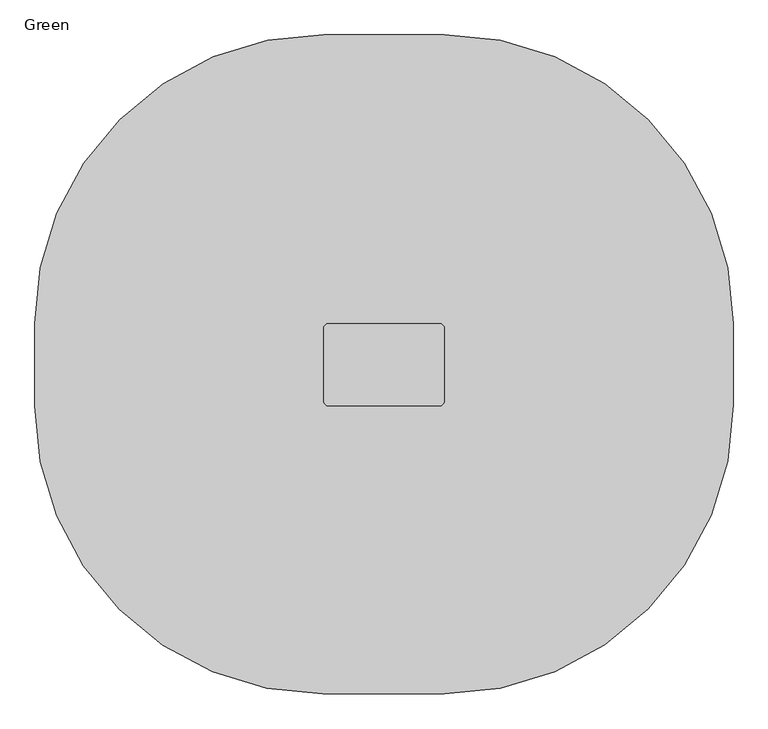
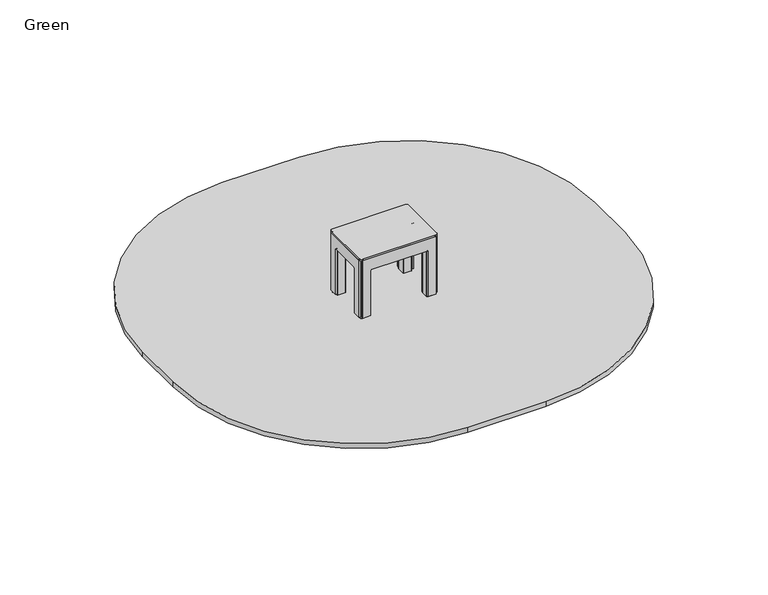
"""IFC4 building model written with IfcOpenShell, lengths in millimetres: furniture geometry, Green."""

from ifc_helpers import new_model, si_unit, point, frame, frame_2d, origin, place, context, project, spatial, polyline, circle_curve, trimmed, segment, composite_curve, outline, extrude, source, transform, mapped, element, save
from ifc_brep_helpers import plane_surface, cylinder_surface, extruded_surface, advanced_brep


def green_fbcaa9e9(model_context):
    return source(origin(), model_context, "Body", "SolidModel", [
        extrude(outline(composite_curve([segment(trimmed(circle_curve(frame_2d((-235.0, -30.0)), 5.0), [point((-230.0, -30.0))], [point((-235.0, -35.0))], False, "CARTESIAN"), True, "CONTINUOUS"), segment(polyline([(-235.0, -35.0), (-295.0, -35.0)]), True, "CONTINUOUS"), segment(trimmed(circle_curve(frame_2d((-295.0, -30.0)), 5.0), [point((-295.0, -35.0))], [point((-300.0, -30.0))], False, "CARTESIAN"), True, "CONTINUOUS"), segment(polyline([(-300.0, -30.0), (-300.0, 30.0)]), True, "CONTINUOUS"), segment(trimmed(circle_curve(frame_2d((-295.0, 30.0)), 5.0), [point((-300.0, 30.0))], [point((-295.0, 35.0))], False, "CARTESIAN"), True, "CONTINUOUS"), segment(polyline([(-295.0, 35.0), (-235.0, 35.0)]), True, "CONTINUOUS"), segment(trimmed(circle_curve(frame_2d((-235.0, 30.0)), 5.0), [point((-235.0, 35.0))], [point((-230.0, 30.0))], False, "CARTESIAN"), True, "CONTINUOUS"), segment(polyline([(-230.0, 30.0), (-230.0, -30.0)]), True, "CONTINUOUS")], self_intersect=False)), frame((0.0, 0.0, -600.0), z_axis=(0.0, 0.0, 1.0), x_axis=(1.0, 0.0, 0.0)), (0.0, 0.0, 1.0), 500.0),
        advanced_brep(
        [(-175.0, 150.0, -600.0), (-115.0, 90.0, -600.0), (-115.0, -90.0, -600.0), (-175.0, -150.0, -600.0), (-355.0, -150.0, -600.0), (-415.0, -90.0, -600.0), (-415.0, 90.0, -600.0), (-355.0, 150.0, -600.0), (-355.0, 150.0, -460.0), (-175.0, 150.0, -460.0), (-415.0, -90.0, -460.0), (-415.0, 90.0, -460.0), (-175.0, -150.0, -460.0), (-355.0, -150.0, -460.0), (-115.0, 90.0, -460.0), (-115.0, -90.0, -460.0), (-277.2959549, 72.6989403, -250.0), (-337.2959549, 12.6989403, -250.0), (-337.2959549, -12.6989403, -250.0), (-277.2959549, -72.6989403, -250.0), (-252.7040451, -72.6989403, -250.0), (-192.7040451, -12.6989403, -250.0), (-192.7040451, 12.6989403, -250.0), (-252.7040451, 72.6989403, -250.0)],
        [
            (0, 1, circle_curve(frame((-175.0, 90.0, -600.0), z_axis=(0.0, 0.0, -1.0), x_axis=(1.0, 0.0, 0.0)), 60.0)),
            (1, 2),
            (2, 3, circle_curve(frame((-175.0, -90.0, -600.0), z_axis=(0.0, 0.0, -1.0), x_axis=(1.0, 0.0, 0.0)), 60.0)),
            (3, 4),
            (4, 5, circle_curve(frame((-355.0, -90.0, -600.0), z_axis=(0.0, 0.0, -1.0), x_axis=(1.0, 0.0, 0.0)), 60.0)),
            (5, 6),
            (6, 7, circle_curve(frame((-355.0, 90.0, -600.0), z_axis=(0.0, 0.0, -1.0), x_axis=(1.0, 0.0, 0.0)), 60.0)),
            (7, 0),
            (7, 8),
            (8, 9),
            (9, 0),
            (5, 10),
            (10, 11),
            (11, 6),
            (3, 12),
            (12, 13),
            (13, 4),
            (1, 14),
            (14, 15),
            (15, 2),
            (16, 17, circle_curve(frame((-277.2959549, 12.6989403, -250.0), z_axis=(0.0, 0.0, 1.0), x_axis=(1.0, 0.0, 0.0)), 60.0)),
            (17, 18),
            (18, 19, circle_curve(frame((-277.2959549, -12.6989403, -250.0), z_axis=(0.0, 0.0, 1.0), x_axis=(1.0, 0.0, 0.0)), 60.0)),
            (19, 20),
            (20, 21, circle_curve(frame((-252.7040451, -12.6989403, -250.0), z_axis=(0.0, 0.0, 1.0), x_axis=(1.0, 0.0, 0.0)), 60.0)),
            (21, 22),
            (22, 23, circle_curve(frame((-252.7040451, 12.6989403, -250.0), z_axis=(0.0, 0.0, 1.0), x_axis=(1.0, 0.0, 0.0)), 60.0)),
            (23, 16),
            (17, 11),
            (10, 18),
            (19, 13),
            (12, 20),
            (21, 15),
            (14, 22),
            (23, 9),
            (8, 16),
            (11, 8, circle_curve(frame((-355.0, 90.0, -460.0), z_axis=(0.0, 0.0, -1.0), x_axis=(1.0, 0.0, 0.0)), 60.0)),
            (13, 10, circle_curve(frame((-355.0, -90.0, -460.0), z_axis=(0.0, 0.0, -1.0), x_axis=(1.0, 0.0, 0.0)), 60.0)),
            (15, 12, circle_curve(frame((-175.0, -90.0, -460.0), z_axis=(0.0, 0.0, -1.0), x_axis=(1.0, 0.0, 0.0)), 60.0)),
            (9, 14, circle_curve(frame((-175.0, 90.0, -460.0), z_axis=(0.0, 0.0, -1.0), x_axis=(1.0, 0.0, 0.0)), 60.0)),
        ],
        [
            plane_surface(frame((-441.6329682, 150.0, -600.0), z_axis=(0.0, 0.0, -1.0), x_axis=(1.0, 0.0, 0.0))),
            plane_surface(frame((-175.0, 150.0, -460.0), z_axis=(0.0, 1.0, 0.0), x_axis=(0.0, 0.0, -1.0))),
            plane_surface(frame((-415.0, 90.0, -460.0), z_axis=(-1.0, 0.0, 0.0), x_axis=(0.0, 0.0, -1.0))),
            plane_surface(frame((-355.0, -150.0, -460.0), z_axis=(0.0, -1.0, 0.0), x_axis=(0.0, 0.0, -1.0))),
            plane_surface(frame((-115.0, -90.0, -460.0), z_axis=(1.0, 0.0, 0.0), x_axis=(0.0, 0.0, -1.0))),
            plane_surface(frame((-265.0, 0.0, -250.0), z_axis=(0.0, 0.0, 1.0), x_axis=(-1.0, 0.0, 0.0))),
            plane_surface(frame((-415.0, 0.0, -460.0), z_axis=(-0.9378559633153523, 0.0, 0.3470247715564883), x_axis=(0.0, -1.0, 0.0))),
            plane_surface(frame((-265.0, -150.0, -460.0), z_axis=(0.0, -0.9384407279810882, 0.3454402988452927), x_axis=(1.0, 0.0, 0.0))),
            plane_surface(frame((-115.0, 0.0, -460.0), z_axis=(0.9378559633153524, 0.0, 0.34702477155648764), x_axis=(0.0, 1.0, 0.0))),
            plane_surface(frame((-265.0, 150.0, -460.0), z_axis=(0.0, 0.9384407279810884, 0.3454402988452924), x_axis=(-1.0, 0.0, 0.0))),
            cylinder_surface(frame((-355.0, 90.0, -600.0), z_axis=(0.0, 0.0, 1.0), x_axis=(1.0, 0.0, 0.0)), 60.0),
            cylinder_surface(frame((-355.0, -90.0, -600.0), z_axis=(0.0, 0.0, 1.0), x_axis=(1.0, 0.0, 0.0)), 60.0),
            cylinder_surface(frame((-175.0, -90.0, -600.0), z_axis=(0.0, 0.0, 1.0), x_axis=(1.0, 0.0, 0.0)), 60.0),
            cylinder_surface(frame((-175.0, 90.0, -600.0), z_axis=(0.0, 0.0, 1.0), x_axis=(1.0, 0.0, 0.0)), 60.0),
            extruded_surface(trimmed(circle_curve(frame((-355.0, 90.0, -460.0), z_axis=(0.0, 0.0, 1.0), x_axis=(1.0, 0.0, 0.0)), 60.0), [point((-355.0, 150.0, -460.0))], [point((-415.0, 90.0, -460.0))], True, "CARTESIAN"), (77.70404509999997, -77.3010597, 210.0), 236.8826132404947),
            extruded_surface(trimmed(circle_curve(frame((-175.0, 90.0, -460.0), z_axis=(0.0, 0.0, 1.0), x_axis=(1.0, 0.0, 0.0)), 60.0), [point((-115.0, 90.0, -460.0))], [point((-175.0, 150.0, -460.0))], True, "CARTESIAN"), (-77.7040451, -77.3010597, 210.0), 236.8826132404947),
            extruded_surface(trimmed(circle_curve(frame((-355.0, -90.0, -460.0), z_axis=(0.0, 0.0, 1.0), x_axis=(1.0, 0.0, 0.0)), 60.0), [point((-415.0, -90.0, -460.0))], [point((-355.0, -150.0, -460.0))], True, "CARTESIAN"), (77.70404509999997, 77.3010597, 210.0), 236.8826132404947),
            extruded_surface(trimmed(circle_curve(frame((-175.0, -90.0, -460.0), z_axis=(0.0, 0.0, 1.0), x_axis=(1.0, 0.0, 0.0)), 60.0), [point((-175.0, -150.0, -460.0))], [point((-115.0, -90.0, -460.0))], True, "CARTESIAN"), (-77.7040451, 77.3010597, 210.0), 236.8826132404947),
        ],
        [
            (0, [[1, 2, 3, 4, 5, 6, 7, 8]]),
            (1, [[-8, 9, 10, 11]]),
            (2, [[-6, 12, 13, 14]]),
            (3, [[-4, 15, 16, 17]]),
            (4, [[-2, 18, 19, 20]]),
            (5, [[21, 22, 23, 24, 25, 26, 27, 28]]),
            (6, [[-22, 29, -13, 30]]),
            (7, [[-24, 31, -16, 32]]),
            (8, [[-26, 33, -19, 34]]),
            (9, [[-28, 35, -10, 36]]),
            (10, [[-7, -14, 37, -9]]),
            (11, [[-5, -17, 38, -12]]),
            (12, [[-3, -20, 39, -15]]),
            (13, [[-1, -11, 40, -18]]),
            (14, [[-21, -36, -37, -29]]),
            (15, [[-27, -34, -40, -35]]),
            (16, [[-23, -30, -38, -31]]),
            (17, [[-25, -32, -39, -33]]),
        ],
    ),
        extrude(outline(composite_curve([segment(trimmed(circle_curve(frame_2d((295.0, -30.0)), 5.0), [point((300.0, -30.0))], [point((295.0, -35.0))], False, "CARTESIAN"), True, "CONTINUOUS"), segment(polyline([(295.0, -35.0), (235.0, -35.0)]), True, "CONTINUOUS"), segment(trimmed(circle_curve(frame_2d((235.0, -30.0)), 5.0), [point((235.0, -35.0))], [point((230.0, -30.0))], False, "CARTESIAN"), True, "CONTINUOUS"), segment(polyline([(230.0, -30.0), (230.0, 30.0)]), True, "CONTINUOUS"), segment(trimmed(circle_curve(frame_2d((235.0, 30.0)), 5.0), [point((230.0, 30.0))], [point((235.0, 35.0))], False, "CARTESIAN"), True, "CONTINUOUS"), segment(polyline([(235.0, 35.0), (295.0, 35.0)]), True, "CONTINUOUS"), segment(trimmed(circle_curve(frame_2d((295.0, 30.0)), 5.0), [point((295.0, 35.0))], [point((300.0, 30.0))], False, "CARTESIAN"), True, "CONTINUOUS"), segment(polyline([(300.0, 30.0), (300.0, -30.0)]), True, "CONTINUOUS")], self_intersect=False)), frame((0.0, 0.0, -600.0), z_axis=(0.0, 0.0, 1.0), x_axis=(1.0, 0.0, 0.0)), (0.0, 0.0, 1.0), 500.0),
        advanced_brep(
        [(355.0, 150.0, -600.0), (415.0, 90.0, -600.0), (415.0, -90.0, -600.0), (355.0, -150.0, -600.0), (175.0, -150.0, -600.0), (115.0, -90.0, -600.0), (115.0, 90.0, -600.0), (175.0, 150.0, -600.0), (175.0, 150.0, -460.0), (355.0, 150.0, -460.0), (115.0, -90.0, -460.0), (115.0, 90.0, -460.0), (355.0, -150.0, -460.0), (175.0, -150.0, -460.0), (415.0, 90.0, -460.0), (415.0, -90.0, -460.0), (252.7040451, 72.6989403, -250.0), (192.7040451, 12.6989403, -250.0), (192.7040451, -12.6989403, -250.0), (252.7040451, -72.6989403, -250.0), (277.2959549, -72.6989403, -250.0), (337.2959549, -12.6989403, -250.0), (337.2959549, 12.6989403, -250.0), (277.2959549, 72.6989403, -250.0)],
        [
            (0, 1, circle_curve(frame((355.0, 90.0, -600.0), z_axis=(0.0, 0.0, -1.0), x_axis=(1.0, 0.0, 0.0)), 60.0)),
            (1, 2),
            (2, 3, circle_curve(frame((355.0, -90.0, -600.0), z_axis=(0.0, 0.0, -1.0), x_axis=(1.0, 0.0, 0.0)), 60.0)),
            (3, 4),
            (4, 5, circle_curve(frame((175.0, -90.0, -600.0), z_axis=(0.0, 0.0, -1.0), x_axis=(1.0, 0.0, 0.0)), 60.0)),
            (5, 6),
            (6, 7, circle_curve(frame((175.0, 90.0, -600.0), z_axis=(0.0, 0.0, -1.0), x_axis=(1.0, 0.0, 0.0)), 60.0)),
            (7, 0),
            (7, 8),
            (8, 9),
            (9, 0),
            (5, 10),
            (10, 11),
            (11, 6),
            (3, 12),
            (12, 13),
            (13, 4),
            (1, 14),
            (14, 15),
            (15, 2),
            (16, 17, circle_curve(frame((252.7040451, 12.6989403, -250.0), z_axis=(0.0, 0.0, 1.0), x_axis=(1.0, 0.0, 0.0)), 60.0)),
            (17, 18),
            (18, 19, circle_curve(frame((252.7040451, -12.6989403, -250.0), z_axis=(0.0, 0.0, 1.0), x_axis=(1.0, 0.0, 0.0)), 60.0)),
            (19, 20),
            (20, 21, circle_curve(frame((277.2959549, -12.6989403, -250.0), z_axis=(0.0, 0.0, 1.0), x_axis=(1.0, 0.0, 0.0)), 60.0)),
            (21, 22),
            (22, 23, circle_curve(frame((277.2959549, 12.6989403, -250.0), z_axis=(0.0, 0.0, 1.0), x_axis=(1.0, 0.0, 0.0)), 60.0)),
            (23, 16),
            (17, 11),
            (10, 18),
            (19, 13),
            (12, 20),
            (21, 15),
            (14, 22),
            (23, 9),
            (8, 16),
            (11, 8, circle_curve(frame((175.0, 90.0, -460.0), z_axis=(0.0, 0.0, -1.0), x_axis=(1.0, 0.0, 0.0)), 60.0)),
            (13, 10, circle_curve(frame((175.0, -90.0, -460.0), z_axis=(0.0, 0.0, -1.0), x_axis=(1.0, 0.0, 0.0)), 60.0)),
            (15, 12, circle_curve(frame((355.0, -90.0, -460.0), z_axis=(0.0, 0.0, -1.0), x_axis=(1.0, 0.0, 0.0)), 60.0)),
            (9, 14, circle_curve(frame((355.0, 90.0, -460.0), z_axis=(0.0, 0.0, -1.0), x_axis=(1.0, 0.0, 0.0)), 60.0)),
        ],
        [
            plane_surface(frame((88.3670318, 150.0, -600.0), z_axis=(0.0, 0.0, -1.0), x_axis=(1.0, 0.0, 0.0))),
            plane_surface(frame((355.0, 150.0, -460.0), z_axis=(0.0, 1.0, 0.0), x_axis=(0.0, 0.0, -1.0))),
            plane_surface(frame((115.0, 90.0, -460.0), z_axis=(-1.0, 0.0, 0.0), x_axis=(0.0, 0.0, -1.0))),
            plane_surface(frame((175.0, -150.0, -460.0), z_axis=(0.0, -1.0, 0.0), x_axis=(0.0, 0.0, -1.0))),
            plane_surface(frame((415.0, -90.0, -460.0), z_axis=(1.0, 0.0, 0.0), x_axis=(0.0, 0.0, -1.0))),
            plane_surface(frame((265.0, 0.0, -250.0), z_axis=(0.0, 0.0, 1.0), x_axis=(-1.0, 0.0, 0.0))),
            plane_surface(frame((115.0, 0.0, -460.0), z_axis=(-0.9378559633153523, 0.0, 0.3470247715564883), x_axis=(0.0, -1.0, 0.0))),
            plane_surface(frame((265.0, -150.0, -460.0), z_axis=(0.0, -0.9384407279810882, 0.3454402988452927), x_axis=(1.0, 0.0, 0.0))),
            plane_surface(frame((415.0, 0.0, -460.0), z_axis=(0.9378559633153524, 0.0, 0.34702477155648764), x_axis=(0.0, 1.0, 0.0))),
            plane_surface(frame((265.0, 150.0, -460.0), z_axis=(0.0, 0.9384407279810884, 0.3454402988452924), x_axis=(-1.0, 0.0, 0.0))),
            cylinder_surface(frame((175.0, 90.0, -600.0), z_axis=(0.0, 0.0, 1.0), x_axis=(1.0, 0.0, 0.0)), 60.0),
            cylinder_surface(frame((175.0, -90.0, -600.0), z_axis=(0.0, 0.0, 1.0), x_axis=(1.0, 0.0, 0.0)), 60.0),
            cylinder_surface(frame((355.0, -90.0, -600.0), z_axis=(0.0, 0.0, 1.0), x_axis=(1.0, 0.0, 0.0)), 60.0),
            cylinder_surface(frame((355.0, 90.0, -600.0), z_axis=(0.0, 0.0, 1.0), x_axis=(1.0, 0.0, 0.0)), 60.0),
            extruded_surface(trimmed(circle_curve(frame((175.0, 90.0, -460.0), z_axis=(0.0, 0.0, 1.0), x_axis=(1.0, 0.0, 0.0)), 60.0), [point((175.0, 150.0, -460.0))], [point((115.0, 90.0, -460.0))], True, "CARTESIAN"), (77.7040451, -77.3010597, 210.0), 236.8826132404947),
            extruded_surface(trimmed(circle_curve(frame((355.0, 90.0, -460.0), z_axis=(0.0, 0.0, 1.0), x_axis=(1.0, 0.0, 0.0)), 60.0), [point((415.0, 90.0, -460.0))], [point((355.0, 150.0, -460.0))], True, "CARTESIAN"), (-77.70404509999997, -77.3010597, 210.0), 236.8826132404947),
            extruded_surface(trimmed(circle_curve(frame((175.0, -90.0, -460.0), z_axis=(0.0, 0.0, 1.0), x_axis=(1.0, 0.0, 0.0)), 60.0), [point((115.0, -90.0, -460.0))], [point((175.0, -150.0, -460.0))], True, "CARTESIAN"), (77.7040451, 77.3010597, 210.0), 236.8826132404947),
            extruded_surface(trimmed(circle_curve(frame((355.0, -90.0, -460.0), z_axis=(0.0, 0.0, 1.0), x_axis=(1.0, 0.0, 0.0)), 60.0), [point((355.0, -150.0, -460.0))], [point((415.0, -90.0, -460.0))], True, "CARTESIAN"), (-77.70404509999997, 77.3010597, 210.0), 236.8826132404947),
        ],
        [
            (0, [[1, 2, 3, 4, 5, 6, 7, 8]]),
            (1, [[-8, 9, 10, 11]]),
            (2, [[-6, 12, 13, 14]]),
            (3, [[-4, 15, 16, 17]]),
            (4, [[-2, 18, 19, 20]]),
            (5, [[21, 22, 23, 24, 25, 26, 27, 28]]),
            (6, [[-22, 29, -13, 30]]),
            (7, [[-24, 31, -16, 32]]),
            (8, [[-26, 33, -19, 34]]),
            (9, [[-28, 35, -10, 36]]),
            (10, [[-7, -14, 37, -9]]),
            (11, [[-5, -17, 38, -12]]),
            (12, [[-3, -20, 39, -15]]),
            (13, [[-1, -11, 40, -18]]),
            (14, [[-21, -36, -37, -29]]),
            (15, [[-27, -34, -40, -35]]),
            (16, [[-23, -30, -38, -31]]),
            (17, [[-25, -32, -39, -33]]),
        ],
    ),
        extrude(outline(composite_curve([segment(trimmed(circle_curve(frame_2d((295.0, 300.0)), 5.0), [point((300.0, 300.0))], [point((295.0, 295.0))], False, "CARTESIAN"), True, "CONTINUOUS"), segment(polyline([(295.0, 295.0), (235.0, 295.0)]), True, "CONTINUOUS"), segment(trimmed(circle_curve(frame_2d((235.0, 300.0)), 5.0), [point((235.0, 295.0))], [point((230.0, 300.0))], False, "CARTESIAN"), True, "CONTINUOUS"), segment(polyline([(230.0, 300.0), (230.0, 360.0)]), True, "CONTINUOUS"), segment(trimmed(circle_curve(frame_2d((235.0, 360.0)), 5.0), [point((230.0, 360.0))], [point((235.0, 365.0))], False, "CARTESIAN"), True, "CONTINUOUS"), segment(polyline([(235.0, 365.0), (295.0, 365.0)]), True, "CONTINUOUS"), segment(trimmed(circle_curve(frame_2d((295.0, 360.0)), 5.0), [point((295.0, 365.0))], [point((300.0, 360.0))], False, "CARTESIAN"), True, "CONTINUOUS"), segment(polyline([(300.0, 360.0), (300.0, 300.0)]), True, "CONTINUOUS")], self_intersect=False)), frame((0.0, 0.0, -600.0), z_axis=(0.0, 0.0, 1.0), x_axis=(1.0, 0.0, 0.0)), (0.0, 0.0, 1.0), 500.0),
        advanced_brep(
        [(355.0, 480.0, -600.0), (415.0, 420.0, -600.0), (415.0, 240.0, -600.0), (355.0, 180.0, -600.0), (175.0, 180.0, -600.0), (115.0, 240.0, -600.0), (115.0, 420.0, -600.0), (175.0, 480.0, -600.0), (175.0, 480.0, -460.0), (355.0, 480.0, -460.0), (115.0, 240.0, -460.0), (115.0, 420.0, -460.0), (355.0, 180.0, -460.0), (175.0, 180.0, -460.0), (415.0, 420.0, -460.0), (415.0, 240.0, -460.0), (252.7040451, 402.6989403, -250.0), (192.7040451, 342.6989403, -250.0), (192.7040451, 317.3010597, -250.0), (252.7040451, 257.3010597, -250.0), (277.2959549, 257.3010597, -250.0), (337.2959549, 317.3010597, -250.0), (337.2959549, 342.6989403, -250.0), (277.2959549, 402.6989403, -250.0)],
        [
            (0, 1, circle_curve(frame((355.0, 420.0, -600.0), z_axis=(0.0, 0.0, -1.0), x_axis=(1.0, 0.0, 0.0)), 60.0)),
            (1, 2),
            (2, 3, circle_curve(frame((355.0, 240.0, -600.0), z_axis=(0.0, 0.0, -1.0), x_axis=(1.0, 0.0, 0.0)), 60.0)),
            (3, 4),
            (4, 5, circle_curve(frame((175.0, 240.0, -600.0), z_axis=(0.0, 0.0, -1.0), x_axis=(1.0, 0.0, 0.0)), 60.0)),
            (5, 6),
            (6, 7, circle_curve(frame((175.0, 420.0, -600.0), z_axis=(0.0, 0.0, -1.0), x_axis=(1.0, 0.0, 0.0)), 60.0)),
            (7, 0),
            (7, 8),
            (8, 9),
            (9, 0),
            (5, 10),
            (10, 11),
            (11, 6),
            (3, 12),
            (12, 13),
            (13, 4),
            (1, 14),
            (14, 15),
            (15, 2),
            (16, 17, circle_curve(frame((252.7040451, 342.6989403, -250.0), z_axis=(0.0, 0.0, 1.0), x_axis=(1.0, 0.0, 0.0)), 60.0)),
            (17, 18),
            (18, 19, circle_curve(frame((252.7040451, 317.3010597, -250.0), z_axis=(0.0, 0.0, 1.0), x_axis=(1.0, 0.0, 0.0)), 60.0)),
            (19, 20),
            (20, 21, circle_curve(frame((277.2959549, 317.3010597, -250.0), z_axis=(0.0, 0.0, 1.0), x_axis=(1.0, 0.0, 0.0)), 60.0)),
            (21, 22),
            (22, 23, circle_curve(frame((277.2959549, 342.6989403, -250.0), z_axis=(0.0, 0.0, 1.0), x_axis=(1.0, 0.0, 0.0)), 60.0)),
            (23, 16),
            (17, 11),
            (10, 18),
            (19, 13),
            (12, 20),
            (21, 15),
            (14, 22),
            (23, 9),
            (8, 16),
            (11, 8, circle_curve(frame((175.0, 420.0, -460.0), z_axis=(0.0, 0.0, -1.0), x_axis=(1.0, 0.0, 0.0)), 60.0)),
            (13, 10, circle_curve(frame((175.0, 240.0, -460.0), z_axis=(0.0, 0.0, -1.0), x_axis=(1.0, 0.0, 0.0)), 60.0)),
            (15, 12, circle_curve(frame((355.0, 240.0, -460.0), z_axis=(0.0, 0.0, -1.0), x_axis=(1.0, 0.0, 0.0)), 60.0)),
            (9, 14, circle_curve(frame((355.0, 420.0, -460.0), z_axis=(0.0, 0.0, -1.0), x_axis=(1.0, 0.0, 0.0)), 60.0)),
        ],
        [
            plane_surface(frame((88.3670318, 480.0, -600.0), z_axis=(0.0, 0.0, -1.0), x_axis=(1.0, 0.0, 0.0))),
            plane_surface(frame((355.0, 480.0, -460.0), z_axis=(0.0, 1.0, 0.0), x_axis=(0.0, 0.0, -1.0))),
            plane_surface(frame((115.0, 420.0, -460.0), z_axis=(-1.0, 0.0, 0.0), x_axis=(0.0, 0.0, -1.0))),
            plane_surface(frame((175.0, 180.0, -460.0), z_axis=(0.0, -1.0, 0.0), x_axis=(0.0, 0.0, -1.0))),
            plane_surface(frame((415.0, 240.0, -460.0), z_axis=(1.0, 0.0, 0.0), x_axis=(0.0, 0.0, -1.0))),
            plane_surface(frame((265.0, 330.0, -250.0), z_axis=(0.0, 0.0, 1.0), x_axis=(-1.0, 0.0, 0.0))),
            plane_surface(frame((115.0, 330.0, -460.0), z_axis=(-0.9378559633153523, 0.0, 0.3470247715564883), x_axis=(0.0, -1.0, 0.0))),
            plane_surface(frame((265.0, 180.0, -460.0), z_axis=(0.0, -0.9384407279810882, 0.3454402988452927), x_axis=(1.0, 0.0, 0.0))),
            plane_surface(frame((415.0, 330.0, -460.0), z_axis=(0.9378559633153524, 0.0, 0.34702477155648764), x_axis=(0.0, 1.0, 0.0))),
            plane_surface(frame((265.0, 480.0, -460.0), z_axis=(0.0, 0.9384407279810884, 0.3454402988452924), x_axis=(-1.0, 0.0, 0.0))),
            cylinder_surface(frame((175.0, 420.0, -600.0), z_axis=(0.0, 0.0, 1.0), x_axis=(1.0, 0.0, 0.0)), 60.0),
            cylinder_surface(frame((175.0, 240.0, -600.0), z_axis=(0.0, 0.0, 1.0), x_axis=(1.0, 0.0, 0.0)), 60.0),
            cylinder_surface(frame((355.0, 240.0, -600.0), z_axis=(0.0, 0.0, 1.0), x_axis=(1.0, 0.0, 0.0)), 60.0),
            cylinder_surface(frame((355.0, 420.0, -600.0), z_axis=(0.0, 0.0, 1.0), x_axis=(1.0, 0.0, 0.0)), 60.0),
            extruded_surface(trimmed(circle_curve(frame((175.0, 420.0, -460.0), z_axis=(0.0, 0.0, 1.0), x_axis=(1.0, 0.0, 0.0)), 60.0), [point((175.0, 480.0, -460.0))], [point((115.0, 420.0, -460.0))], True, "CARTESIAN"), (77.7040451, -77.3010597, 210.0), 236.8826132404947),
            extruded_surface(trimmed(circle_curve(frame((355.0, 420.0, -460.0), z_axis=(0.0, 0.0, 1.0), x_axis=(1.0, 0.0, 0.0)), 60.0), [point((415.0, 420.0, -460.0))], [point((355.0, 480.0, -460.0))], True, "CARTESIAN"), (-77.70404509999997, -77.3010597, 210.0), 236.8826132404947),
            extruded_surface(trimmed(circle_curve(frame((175.0, 240.0, -460.0), z_axis=(0.0, 0.0, 1.0), x_axis=(1.0, 0.0, 0.0)), 60.0), [point((115.0, 240.0, -460.0))], [point((175.0, 180.0, -460.0))], True, "CARTESIAN"), (77.7040451, 77.3010597, 210.0), 236.8826132404947),
            extruded_surface(trimmed(circle_curve(frame((355.0, 240.0, -460.0), z_axis=(0.0, 0.0, 1.0), x_axis=(1.0, 0.0, 0.0)), 60.0), [point((355.0, 180.0, -460.0))], [point((415.0, 240.0, -460.0))], True, "CARTESIAN"), (-77.70404509999997, 77.3010597, 210.0), 236.8826132404947),
        ],
        [
            (0, [[1, 2, 3, 4, 5, 6, 7, 8]]),
            (1, [[-8, 9, 10, 11]]),
            (2, [[-6, 12, 13, 14]]),
            (3, [[-4, 15, 16, 17]]),
            (4, [[-2, 18, 19, 20]]),
            (5, [[21, 22, 23, 24, 25, 26, 27, 28]]),
            (6, [[-22, 29, -13, 30]]),
            (7, [[-24, 31, -16, 32]]),
            (8, [[-26, 33, -19, 34]]),
            (9, [[-28, 35, -10, 36]]),
            (10, [[-7, -14, 37, -9]]),
            (11, [[-5, -17, 38, -12]]),
            (12, [[-3, -20, 39, -15]]),
            (13, [[-1, -11, 40, -18]]),
            (14, [[-21, -36, -37, -29]]),
            (15, [[-27, -34, -40, -35]]),
            (16, [[-23, -30, -38, -31]]),
            (17, [[-25, -32, -39, -33]]),
        ],
    ),
        extrude(outline(composite_curve([segment(trimmed(circle_curve(frame_2d((-235.0, 300.0)), 5.0), [point((-230.0, 300.0))], [point((-235.0, 295.0))], False, "CARTESIAN"), True, "CONTINUOUS"), segment(polyline([(-235.0, 295.0), (-295.0, 295.0)]), True, "CONTINUOUS"), segment(trimmed(circle_curve(frame_2d((-295.0, 300.0)), 5.0), [point((-295.0, 295.0))], [point((-300.0, 300.0))], False, "CARTESIAN"), True, "CONTINUOUS"), segment(polyline([(-300.0, 300.0), (-300.0, 360.0)]), True, "CONTINUOUS"), segment(trimmed(circle_curve(frame_2d((-295.0, 360.0)), 5.0), [point((-300.0, 360.0))], [point((-295.0, 365.0))], False, "CARTESIAN"), True, "CONTINUOUS"), segment(polyline([(-295.0, 365.0), (-235.0, 365.0)]), True, "CONTINUOUS"), segment(trimmed(circle_curve(frame_2d((-235.0, 360.0)), 5.0), [point((-235.0, 365.0))], [point((-230.0, 360.0))], False, "CARTESIAN"), True, "CONTINUOUS"), segment(polyline([(-230.0, 360.0), (-230.0, 300.0)]), True, "CONTINUOUS")], self_intersect=False)), frame((0.0, 0.0, -600.0), z_axis=(0.0, 0.0, 1.0), x_axis=(1.0, 0.0, 0.0)), (0.0, 0.0, 1.0), 500.0),
        advanced_brep(
        [(-175.0, 480.0, -600.0), (-115.0, 420.0, -600.0), (-115.0, 240.0, -600.0), (-175.0, 180.0, -600.0), (-355.0, 180.0, -600.0), (-415.0, 240.0, -600.0), (-415.0, 420.0, -600.0), (-355.0, 480.0, -600.0), (-355.0, 480.0, -460.0), (-175.0, 480.0, -460.0), (-415.0, 240.0, -460.0), (-415.0, 420.0, -460.0), (-175.0, 180.0, -460.0), (-355.0, 180.0, -460.0), (-115.0, 420.0, -460.0), (-115.0, 240.0, -460.0), (-277.2959549, 402.6989403, -250.0), (-337.2959549, 342.6989403, -250.0), (-337.2959549, 317.3010597, -250.0), (-277.2959549, 257.3010597, -250.0), (-252.7040451, 257.3010597, -250.0), (-192.7040451, 317.3010597, -250.0), (-192.7040451, 342.6989403, -250.0), (-252.7040451, 402.6989403, -250.0)],
        [
            (0, 1, circle_curve(frame((-175.0, 420.0, -600.0), z_axis=(0.0, 0.0, -1.0), x_axis=(1.0, 0.0, 0.0)), 60.0)),
            (1, 2),
            (2, 3, circle_curve(frame((-175.0, 240.0, -600.0), z_axis=(0.0, 0.0, -1.0), x_axis=(1.0, 0.0, 0.0)), 60.0)),
            (3, 4),
            (4, 5, circle_curve(frame((-355.0, 240.0, -600.0), z_axis=(0.0, 0.0, -1.0), x_axis=(1.0, 0.0, 0.0)), 60.0)),
            (5, 6),
            (6, 7, circle_curve(frame((-355.0, 420.0, -600.0), z_axis=(0.0, 0.0, -1.0), x_axis=(1.0, 0.0, 0.0)), 60.0)),
            (7, 0),
            (7, 8),
            (8, 9),
            (9, 0),
            (5, 10),
            (10, 11),
            (11, 6),
            (3, 12),
            (12, 13),
            (13, 4),
            (1, 14),
            (14, 15),
            (15, 2),
            (16, 17, circle_curve(frame((-277.2959549, 342.6989403, -250.0), z_axis=(0.0, 0.0, 1.0), x_axis=(1.0, 0.0, 0.0)), 60.0)),
            (17, 18),
            (18, 19, circle_curve(frame((-277.2959549, 317.3010597, -250.0), z_axis=(0.0, 0.0, 1.0), x_axis=(1.0, 0.0, 0.0)), 60.0)),
            (19, 20),
            (20, 21, circle_curve(frame((-252.7040451, 317.3010597, -250.0), z_axis=(0.0, 0.0, 1.0), x_axis=(1.0, 0.0, 0.0)), 60.0)),
            (21, 22),
            (22, 23, circle_curve(frame((-252.7040451, 342.6989403, -250.0), z_axis=(0.0, 0.0, 1.0), x_axis=(1.0, 0.0, 0.0)), 60.0)),
            (23, 16),
            (17, 11),
            (10, 18),
            (19, 13),
            (12, 20),
            (21, 15),
            (14, 22),
            (23, 9),
            (8, 16),
            (11, 8, circle_curve(frame((-355.0, 420.0, -460.0), z_axis=(0.0, 0.0, -1.0), x_axis=(1.0, 0.0, 0.0)), 60.0)),
            (13, 10, circle_curve(frame((-355.0, 240.0, -460.0), z_axis=(0.0, 0.0, -1.0), x_axis=(1.0, 0.0, 0.0)), 60.0)),
            (15, 12, circle_curve(frame((-175.0, 240.0, -460.0), z_axis=(0.0, 0.0, -1.0), x_axis=(1.0, 0.0, 0.0)), 60.0)),
            (9, 14, circle_curve(frame((-175.0, 420.0, -460.0), z_axis=(0.0, 0.0, -1.0), x_axis=(1.0, 0.0, 0.0)), 60.0)),
        ],
        [
            plane_surface(frame((-441.6329682, 480.0, -600.0), z_axis=(0.0, 0.0, -1.0), x_axis=(1.0, 0.0, 0.0))),
            plane_surface(frame((-175.0, 480.0, -460.0), z_axis=(0.0, 1.0, 0.0), x_axis=(0.0, 0.0, -1.0))),
            plane_surface(frame((-415.0, 420.0, -460.0), z_axis=(-1.0, 0.0, 0.0), x_axis=(0.0, 0.0, -1.0))),
            plane_surface(frame((-355.0, 180.0, -460.0), z_axis=(0.0, -1.0, 0.0), x_axis=(0.0, 0.0, -1.0))),
            plane_surface(frame((-115.0, 240.0, -460.0), z_axis=(1.0, 0.0, 0.0), x_axis=(0.0, 0.0, -1.0))),
            plane_surface(frame((-265.0, 330.0, -250.0), z_axis=(0.0, 0.0, 1.0), x_axis=(-1.0, 0.0, 0.0))),
            plane_surface(frame((-415.0, 330.0, -460.0), z_axis=(-0.9378559633153523, 0.0, 0.3470247715564883), x_axis=(0.0, -1.0, 0.0))),
            plane_surface(frame((-265.0, 180.0, -460.0), z_axis=(0.0, -0.9384407279810882, 0.3454402988452927), x_axis=(1.0, 0.0, 0.0))),
            plane_surface(frame((-115.0, 330.0, -460.0), z_axis=(0.9378559633153524, 0.0, 0.34702477155648764), x_axis=(0.0, 1.0, 0.0))),
            plane_surface(frame((-265.0, 480.0, -460.0), z_axis=(0.0, 0.9384407279810884, 0.3454402988452924), x_axis=(-1.0, 0.0, 0.0))),
            cylinder_surface(frame((-355.0, 420.0, -600.0), z_axis=(0.0, 0.0, 1.0), x_axis=(1.0, 0.0, 0.0)), 60.0),
            cylinder_surface(frame((-355.0, 240.0, -600.0), z_axis=(0.0, 0.0, 1.0), x_axis=(1.0, 0.0, 0.0)), 60.0),
            cylinder_surface(frame((-175.0, 240.0, -600.0), z_axis=(0.0, 0.0, 1.0), x_axis=(1.0, 0.0, 0.0)), 60.0),
            cylinder_surface(frame((-175.0, 420.0, -600.0), z_axis=(0.0, 0.0, 1.0), x_axis=(1.0, 0.0, 0.0)), 60.0),
            extruded_surface(trimmed(circle_curve(frame((-355.0, 420.0, -460.0), z_axis=(0.0, 0.0, 1.0), x_axis=(1.0, 0.0, 0.0)), 60.0), [point((-355.0, 480.0, -460.0))], [point((-415.0, 420.0, -460.0))], True, "CARTESIAN"), (77.70404509999997, -77.3010597, 210.0), 236.8826132404947),
            extruded_surface(trimmed(circle_curve(frame((-175.0, 420.0, -460.0), z_axis=(0.0, 0.0, 1.0), x_axis=(1.0, 0.0, 0.0)), 60.0), [point((-115.0, 420.0, -460.0))], [point((-175.0, 480.0, -460.0))], True, "CARTESIAN"), (-77.7040451, -77.3010597, 210.0), 236.8826132404947),
            extruded_surface(trimmed(circle_curve(frame((-355.0, 240.0, -460.0), z_axis=(0.0, 0.0, 1.0), x_axis=(1.0, 0.0, 0.0)), 60.0), [point((-415.0, 240.0, -460.0))], [point((-355.0, 180.0, -460.0))], True, "CARTESIAN"), (77.70404509999997, 77.3010597, 210.0), 236.8826132404947),
            extruded_surface(trimmed(circle_curve(frame((-175.0, 240.0, -460.0), z_axis=(0.0, 0.0, 1.0), x_axis=(1.0, 0.0, 0.0)), 60.0), [point((-175.0, 180.0, -460.0))], [point((-115.0, 240.0, -460.0))], True, "CARTESIAN"), (-77.7040451, 77.3010597, 210.0), 236.8826132404947),
        ],
        [
            (0, [[1, 2, 3, 4, 5, 6, 7, 8]]),
            (1, [[-8, 9, 10, 11]]),
            (2, [[-6, 12, 13, 14]]),
            (3, [[-4, 15, 16, 17]]),
            (4, [[-2, 18, 19, 20]]),
            (5, [[21, 22, 23, 24, 25, 26, 27, 28]]),
            (6, [[-22, 29, -13, 30]]),
            (7, [[-24, 31, -16, 32]]),
            (8, [[-26, 33, -19, 34]]),
            (9, [[-28, 35, -10, 36]]),
            (10, [[-7, -14, 37, -9]]),
            (11, [[-5, -17, 38, -12]]),
            (12, [[-3, -20, 39, -15]]),
            (13, [[-1, -11, 40, -18]]),
            (14, [[-21, -36, -37, -29]]),
            (15, [[-27, -34, -40, -35]]),
            (16, [[-23, -30, -38, -31]]),
            (17, [[-25, -32, -39, -33]]),
        ],
    ),
        extrude(outline(composite_curve([segment(trimmed(circle_curve(frame_2d((292.0, 357.0)), 20.0), [point((292.0, 377.0))], [point((312.0, 357.0))], False, "CARTESIAN"), True, "CONTINUOUS"), segment(polyline([(312.0, 357.0), (312.0, -27.0)]), True, "CONTINUOUS"), segment(trimmed(circle_curve(frame_2d((292.0, -27.0)), 20.0), [point((312.0, -27.0))], [point((292.0, -47.0))], False, "CARTESIAN"), True, "CONTINUOUS"), segment(polyline([(292.0, -47.0), (-292.0, -47.0)]), True, "CONTINUOUS"), segment(trimmed(circle_curve(frame_2d((-292.0, -27.0)), 20.0), [point((-292.0, -47.0))], [point((-312.0, -27.0))], False, "CARTESIAN"), True, "CONTINUOUS"), segment(polyline([(-312.0, -27.0), (-312.0, 357.0)]), True, "CONTINUOUS"), segment(trimmed(circle_curve(frame_2d((-292.0, 357.0)), 20.0), [point((-312.0, 357.0))], [point((-292.0, 377.0))], False, "CARTESIAN"), True, "CONTINUOUS"), segment(polyline([(-292.0, 377.0), (292.0, 377.0)]), True, "CONTINUOUS")], self_intersect=False)), frame((0.0, 0.0, 500.0), z_axis=(0.0, 0.0, 1.0), x_axis=(1.0, 0.0, 0.0)), (0.0, 0.0, 1.0), 11.925747),
        extrude(outline(composite_curve([segment(polyline([(-25.0, 500.0), (355.0, 500.0)]), True, "CONTINUOUS"), segment(trimmed(circle_curve(frame_2d((355.0, 495.0)), 5.0), [point((355.0, 500.0))], [point((360.0, 495.0))], False, "CARTESIAN"), True, "CONTINUOUS"), segment(polyline([(360.0, 495.0), (360.0, 12.3136354), (295.0, 12.3136354), (295.0, 395.0)]), True, "CONTINUOUS"), segment(trimmed(circle_curve(frame_2d((290.0, 395.0)), 5.0), [point((295.0, 395.0))], [point((290.0, 400.0))], True, "CARTESIAN"), True, "CONTINUOUS"), segment(polyline([(290.0, 400.0), (40.0, 400.0)]), True, "CONTINUOUS"), segment(trimmed(circle_curve(frame_2d((40.0, 395.0)), 5.0), [point((40.0, 400.0))], [point((35.0, 395.0))], True, "CARTESIAN"), True, "CONTINUOUS"), segment(polyline([(35.0, 395.0), (35.0, 12.3136354), (-30.0, 12.3136354), (-30.0, 495.0)]), True, "CONTINUOUS"), segment(trimmed(circle_curve(frame_2d((-25.0, 495.0)), 5.0), [point((-30.0, 495.0))], [point((-25.0, 500.0))], False, "CARTESIAN"), True, "CONTINUOUS")], self_intersect=False)), frame((300.0, 0.0, 0.0), z_axis=(1.0, 0.0, 0.0), x_axis=(0.0, 1.0, 0.0)), (0.0, 0.0, 1.0), 12.0),
        extrude(outline(composite_curve([segment(polyline([(-25.0, 500.0), (355.0, 500.0)]), True, "CONTINUOUS"), segment(trimmed(circle_curve(frame_2d((355.0, 495.0)), 5.0), [point((355.0, 500.0))], [point((360.0, 495.0))], False, "CARTESIAN"), True, "CONTINUOUS"), segment(polyline([(360.0, 495.0), (360.0, 12.3136354), (295.0, 12.3136354), (295.0, 395.0)]), True, "CONTINUOUS"), segment(trimmed(circle_curve(frame_2d((290.0, 395.0)), 5.0), [point((295.0, 395.0))], [point((290.0, 400.0))], True, "CARTESIAN"), True, "CONTINUOUS"), segment(polyline([(290.0, 400.0), (40.0, 400.0)]), True, "CONTINUOUS"), segment(trimmed(circle_curve(frame_2d((40.0, 395.0)), 5.0), [point((40.0, 400.0))], [point((35.0, 395.0))], True, "CARTESIAN"), True, "CONTINUOUS"), segment(polyline([(35.0, 395.0), (35.0, 12.3136354), (-30.0, 12.3136354), (-30.0, 495.0)]), True, "CONTINUOUS"), segment(trimmed(circle_curve(frame_2d((-25.0, 495.0)), 5.0), [point((-30.0, 495.0))], [point((-25.0, 500.0))], False, "CARTESIAN"), True, "CONTINUOUS")], self_intersect=False)), frame((-312.0, 0.0, 0.0), z_axis=(1.0, 0.0, 0.0), x_axis=(0.0, 1.0, 0.0)), (0.0, 0.0, 1.0), 12.0),
        extrude(outline(composite_curve([segment(polyline([(12.3136354, -295.0), (12.3136354, -230.0), (395.0, -230.0)]), True, "CONTINUOUS"), segment(trimmed(circle_curve(frame_2d((395.0, -225.0)), 5.0), [point((395.0, -230.0))], [point((400.0, -225.0))], True, "CARTESIAN"), True, "CONTINUOUS"), segment(polyline([(400.0, -225.0), (400.0, 225.0)]), True, "CONTINUOUS"), segment(trimmed(circle_curve(frame_2d((395.0, 225.0)), 5.0), [point((400.0, 225.0))], [point((395.0, 230.0))], True, "CARTESIAN"), True, "CONTINUOUS"), segment(polyline([(395.0, 230.0), (12.3136354, 230.0), (12.3136354, 295.0), (495.0, 295.0)]), True, "CONTINUOUS"), segment(trimmed(circle_curve(frame_2d((495.0, 290.0)), 5.0), [point((495.0, 295.0))], [point((500.0, 290.0))], False, "CARTESIAN"), True, "CONTINUOUS"), segment(polyline([(500.0, 290.0), (500.0, -290.0)]), True, "CONTINUOUS"), segment(trimmed(circle_curve(frame_2d((495.0, -290.0)), 5.0), [point((500.0, -290.0))], [point((495.0, -295.0))], False, "CARTESIAN"), True, "CONTINUOUS"), segment(polyline([(495.0, -295.0), (12.3136354, -295.0)]), True, "CONTINUOUS")], self_intersect=False)), frame((0.0, 365.0, 0.0), z_axis=(0.0, 1.0, 0.0), x_axis=(0.0, 0.0, 1.0)), (0.0, 0.0, 1.0), 12.0),
        extrude(outline(composite_curve([segment(polyline([(12.3136354, -295.0), (12.3136354, -230.0), (395.0, -230.0)]), True, "CONTINUOUS"), segment(trimmed(circle_curve(frame_2d((395.0, -225.0)), 5.0), [point((395.0, -230.0))], [point((400.0, -225.0))], True, "CARTESIAN"), True, "CONTINUOUS"), segment(polyline([(400.0, -225.0), (400.0, 225.0)]), True, "CONTINUOUS"), segment(trimmed(circle_curve(frame_2d((395.0, 225.0)), 5.0), [point((400.0, 225.0))], [point((395.0, 230.0))], True, "CARTESIAN"), True, "CONTINUOUS"), segment(polyline([(395.0, 230.0), (12.3136354, 230.0), (12.3136354, 295.0), (495.0, 295.0)]), True, "CONTINUOUS"), segment(trimmed(circle_curve(frame_2d((495.0, 290.0)), 5.0), [point((495.0, 295.0))], [point((500.0, 290.0))], False, "CARTESIAN"), True, "CONTINUOUS"), segment(polyline([(500.0, 290.0), (500.0, -290.0)]), True, "CONTINUOUS"), segment(trimmed(circle_curve(frame_2d((495.0, -290.0)), 5.0), [point((500.0, -290.0))], [point((495.0, -295.0))], False, "CARTESIAN"), True, "CONTINUOUS"), segment(polyline([(495.0, -295.0), (12.3136354, -295.0)]), True, "CONTINUOUS")], self_intersect=False)), frame((0.0, -47.0, 0.0), z_axis=(0.0, 1.0, 0.0), x_axis=(0.0, 0.0, 1.0)), (0.0, 0.0, 1.0), 12.0),
        extrude(outline(composite_curve([segment(trimmed(circle_curve(frame_2d((-235.0, 300.0)), 5.0), [point((-230.0, 300.0))], [point((-235.0, 295.0))], False, "CARTESIAN"), True, "CONTINUOUS"), segment(polyline([(-235.0, 295.0), (-295.0, 295.0)]), True, "CONTINUOUS"), segment(trimmed(circle_curve(frame_2d((-295.0, 300.0)), 5.0), [point((-295.0, 295.0))], [point((-300.0, 300.0))], False, "CARTESIAN"), True, "CONTINUOUS"), segment(polyline([(-300.0, 300.0), (-300.0, 360.0)]), True, "CONTINUOUS"), segment(trimmed(circle_curve(frame_2d((-295.0, 360.0)), 5.0), [point((-300.0, 360.0))], [point((-295.0, 365.0))], False, "CARTESIAN"), True, "CONTINUOUS"), segment(polyline([(-295.0, 365.0), (-235.0, 365.0)]), True, "CONTINUOUS"), segment(trimmed(circle_curve(frame_2d((-235.0, 360.0)), 5.0), [point((-235.0, 365.0))], [point((-230.0, 360.0))], False, "CARTESIAN"), True, "CONTINUOUS"), segment(polyline([(-230.0, 360.0), (-230.0, 300.0)]), True, "CONTINUOUS")], self_intersect=False)), frame((0.0, 0.0, -100.0), z_axis=(0.0, 0.0, 1.0), x_axis=(1.0, 0.0, 0.0)), (0.0, 0.0, 1.0), 600.0),
        extrude(outline(composite_curve([segment(trimmed(circle_curve(frame_2d((-235.0, -30.0)), 5.0), [point((-230.0, -30.0))], [point((-235.0, -35.0))], False, "CARTESIAN"), True, "CONTINUOUS"), segment(polyline([(-235.0, -35.0), (-295.0, -35.0)]), True, "CONTINUOUS"), segment(trimmed(circle_curve(frame_2d((-295.0, -30.0)), 5.0), [point((-295.0, -35.0))], [point((-300.0, -30.0))], False, "CARTESIAN"), True, "CONTINUOUS"), segment(polyline([(-300.0, -30.0), (-300.0, 30.0)]), True, "CONTINUOUS"), segment(trimmed(circle_curve(frame_2d((-295.0, 30.0)), 5.0), [point((-300.0, 30.0))], [point((-295.0, 35.0))], False, "CARTESIAN"), True, "CONTINUOUS"), segment(polyline([(-295.0, 35.0), (-235.0, 35.0)]), True, "CONTINUOUS"), segment(trimmed(circle_curve(frame_2d((-235.0, 30.0)), 5.0), [point((-235.0, 35.0))], [point((-230.0, 30.0))], False, "CARTESIAN"), True, "CONTINUOUS"), segment(polyline([(-230.0, 30.0), (-230.0, -30.0)]), True, "CONTINUOUS")], self_intersect=False)), frame((0.0, 0.0, -100.0), z_axis=(0.0, 0.0, 1.0), x_axis=(1.0, 0.0, 0.0)), (0.0, 0.0, 1.0), 600.0),
        extrude(outline(composite_curve([segment(trimmed(circle_curve(frame_2d((295.0, 300.0)), 5.0), [point((300.0, 300.0))], [point((295.0, 295.0))], False, "CARTESIAN"), True, "CONTINUOUS"), segment(polyline([(295.0, 295.0), (235.0, 295.0)]), True, "CONTINUOUS"), segment(trimmed(circle_curve(frame_2d((235.0, 300.0)), 5.0), [point((235.0, 295.0))], [point((230.0, 300.0))], False, "CARTESIAN"), True, "CONTINUOUS"), segment(polyline([(230.0, 300.0), (230.0, 360.0)]), True, "CONTINUOUS"), segment(trimmed(circle_curve(frame_2d((235.0, 360.0)), 5.0), [point((230.0, 360.0))], [point((235.0, 365.0))], False, "CARTESIAN"), True, "CONTINUOUS"), segment(polyline([(235.0, 365.0), (295.0, 365.0)]), True, "CONTINUOUS"), segment(trimmed(circle_curve(frame_2d((295.0, 360.0)), 5.0), [point((295.0, 365.0))], [point((300.0, 360.0))], False, "CARTESIAN"), True, "CONTINUOUS"), segment(polyline([(300.0, 360.0), (300.0, 300.0)]), True, "CONTINUOUS")], self_intersect=False)), frame((0.0, 0.0, -100.0), z_axis=(0.0, 0.0, 1.0), x_axis=(1.0, 0.0, 0.0)), (0.0, 0.0, 1.0), 600.0),
        extrude(outline(composite_curve([segment(trimmed(circle_curve(frame_2d((295.0, -30.0)), 5.0), [point((300.0, -30.0))], [point((295.0, -35.0))], False, "CARTESIAN"), True, "CONTINUOUS"), segment(polyline([(295.0, -35.0), (235.0, -35.0)]), True, "CONTINUOUS"), segment(trimmed(circle_curve(frame_2d((235.0, -30.0)), 5.0), [point((235.0, -35.0))], [point((230.0, -30.0))], False, "CARTESIAN"), True, "CONTINUOUS"), segment(polyline([(230.0, -30.0), (230.0, 30.0)]), True, "CONTINUOUS"), segment(trimmed(circle_curve(frame_2d((235.0, 30.0)), 5.0), [point((230.0, 30.0))], [point((235.0, 35.0))], False, "CARTESIAN"), True, "CONTINUOUS"), segment(polyline([(235.0, 35.0), (295.0, 35.0)]), True, "CONTINUOUS"), segment(trimmed(circle_curve(frame_2d((295.0, 30.0)), 5.0), [point((295.0, 35.0))], [point((300.0, 30.0))], False, "CARTESIAN"), True, "CONTINUOUS"), segment(polyline([(300.0, 30.0), (300.0, -30.0)]), True, "CONTINUOUS")], self_intersect=False)), frame((0.0, 0.0, -100.0), z_axis=(0.0, 0.0, 1.0), x_axis=(1.0, 0.0, 0.0)), (0.0, 0.0, 1.0), 600.0),
        extrude(outline(composite_curve([segment(trimmed(circle_curve(frame_2d((312.0, 377.0)), 1500.0), [point((312.0, 1877.0))], [point((1812.0, 377.0))], False, "CARTESIAN"), True, "CONTINUOUS"), segment(polyline([(1812.0, 377.0), (1812.0, -42.0)]), True, "CONTINUOUS"), segment(trimmed(circle_curve(frame_2d((312.0, -42.0)), 1500.0), [point((1812.0, -42.0))], [point((312.0, -1542.0))], False, "CARTESIAN"), True, "CONTINUOUS"), segment(polyline([(312.0, -1542.0), (-317.0, -1542.0)]), True, "CONTINUOUS"), segment(trimmed(circle_curve(frame_2d((-317.0, -47.0)), 1495.0), [point((-317.0, -1542.0))], [point((-1812.0, -47.0))], False, "CARTESIAN"), True, "CONTINUOUS"), segment(polyline([(-1812.0, -47.0), (-1812.0, 377.0)]), True, "CONTINUOUS"), segment(trimmed(circle_curve(frame_2d((-312.0, 377.0)), 1500.0), [point((-1812.0, 377.0))], [point((-312.0, 1877.0))], False, "CARTESIAN"), True, "CONTINUOUS"), segment(polyline([(-312.0, 1877.0), (312.0, 1877.0)]), True, "CONTINUOUS")], self_intersect=False)), frame((0.0, 0.0, -40.0), z_axis=(0.0, 0.0, 1.0), x_axis=(1.0, 0.0, 0.0)), (0.0, 0.0, 1.0), 41.0),
    ])


if __name__ == "__main__":
    model = new_model("IFC4")
    model_context = context("Model", 3, world=origin())
    ifc_project = project(units=[si_unit("LENGTHUNIT", "METRE", prefix="MILLI")], contexts=[model_context])
    site = spatial("IfcSite", under=ifc_project)
    building = spatial("IfcBuilding", under=site)
    placement = place(None, origin())
    green_shape = green_fbcaa9e9(model_context)
    element("IfcFurniture", 1, ObjectType="Green", at=placement, inside=building, context=model_context, shape_type="MappedRepresentation", body=[
        mapped(green_shape, transform((0.0, 0.0, 0.0), x_axis=(1.0, 0.0, 0.0), y_axis=(0.0, 1.0, 0.0), z_axis=(0.0, 0.0, 1.0))),
    ])
    save(model, "model.ifc")
